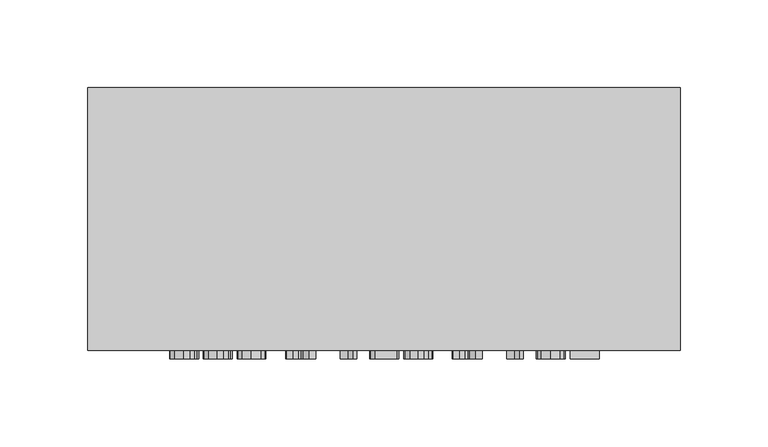
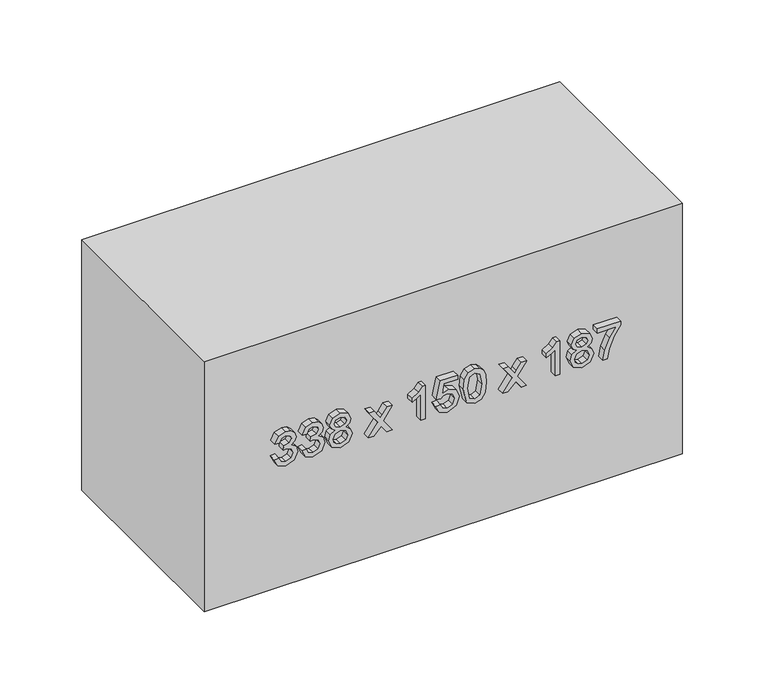
"""IFC4 building model written with IfcOpenShell, lengths in millimetres: furniture geometry."""

from ifc_helpers import new_model, si_unit, frame, origin, origin_with_axes, place, context, project, spatial, polyline, outline, extrude, source, transform, mapped, element, save


def furniture_3f7b0732(model_context):
    return source(origin(), model_context, "Body", "SweptSolid", [
        extrude(outline(polyline([(100.1709268, -77.5345978), (95.0757612, -75.0391316), (93.1075925, -69.5331644), (95.4129864, -63.4569801), (101.0293182, -61.0534844), (105.1128083, -62.2552323), (107.2587866, -65.6765349), (109.3373199, -63.1013609), (112.2313249, -62.2307068), (115.3981758, -63.1473461), (117.7526205, -65.7960965), (118.6140775, -69.5822154), (116.8666381, -74.5731478), (111.9431507, -77.1421904), (111.5507432, -74.0029307), (114.4937992, -72.4639577), (115.4748178, -69.4718508), (114.5029962, -66.5165321), (112.0473839, -65.3699665), (109.2760062, -66.9518591), (108.4114835, -71.0169551), (105.2722238, -71.366443), (105.6155804, -69.1652824), (104.3310591, -65.5968271), (101.0845005, -64.1927441), (97.6386724, -65.6090898), (96.2468522, -69.4227998), (97.2585277, -72.6632271), (100.5633343, -74.3953381), (100.1709268, -77.5345978)])), frame((0.0, -155.0, 0.0), z_axis=(0.0, 1.0, 0.0), x_axis=(0.0, 0.0, 1.0)), (0.0, 0.0, 1.0), 5.0),
        extrude(outline(polyline([(100.1709268, -58.3066322), (95.0757612, -55.811166), (93.1075925, -50.3051988), (95.4129864, -44.2290145), (101.0293182, -41.8255188), (105.1128083, -43.0272667), (107.2587866, -46.4485692), (109.3373199, -43.8733953), (112.2313249, -43.0027412), (115.3981758, -43.9193805), (117.7526205, -46.5681309), (118.6140775, -50.3542498), (116.8666381, -55.3451822), (111.9431507, -57.9142248), (111.5507432, -54.7749651), (114.4937992, -53.235992), (115.4748178, -50.2438852), (114.5029962, -47.2885665), (112.0473839, -46.1420009), (109.2760062, -47.7238935), (108.4114835, -51.7889895), (105.2722238, -52.1384774), (105.6155804, -49.9373168), (104.3310591, -46.3688615), (101.0845005, -44.9647785), (97.6386724, -46.3811242), (96.2468522, -50.1948342), (97.2585277, -53.4352615), (100.5633343, -55.1673725), (100.1709268, -58.3066322)])), frame((0.0, -155.0, 0.0), z_axis=(0.0, 1.0, 0.0), x_axis=(0.0, 0.0, 1.0)), (0.0, 0.0, 1.0), 5.0),
        extrude(outline(polyline([(107.332363, -34.5046671), (105.0514946, -37.8891815), (100.8944281, -39.0786666), (95.3363443, -36.810061), (93.1075925, -30.8381099), (95.3271472, -24.8661589), (100.808589, -22.5975532), (104.8706193, -23.7410531), (107.332363, -27.0795822), (109.2729405, -24.2990074), (112.2313249, -23.3823681), (116.7562735, -25.4425073), (118.6140775, -30.8810295), (116.799193, -36.2705007), (112.3171641, -38.2938517), (109.2821376, -37.3649496), (107.332363, -34.5046671)]), holes=[polyline([(112.2251936, -35.154592), (114.5183247, -34.0233549), (115.4748178, -30.8381099), (114.4968649, -27.662062), (112.0841721, -26.5216278), (109.7542528, -27.6252738), (108.803891, -30.8013217), (109.7603842, -34.041749), (112.2251936, -35.154592)]), polyline([(101.0047927, -35.9394069), (104.3341248, -34.611966), (105.6646313, -30.9178177), (104.3157307, -27.1163704), (100.9066908, -25.7368129), (97.5620304, -27.0734508), (96.2468522, -30.8135844), (96.8722516, -33.5604367), (98.6411509, -35.4151751), (101.0047927, -35.9394069)])]), frame((0.0, -155.0, 0.0), z_axis=(0.0, 1.0, 0.0), x_axis=(0.0, 0.0, 1.0)), (0.0, 0.0, 1.0), 5.0),
        extrude(outline(polyline([(93.5, -11.2177368), (93.5, -7.440815), (99.0734122, -1.9655047), (93.5, 1.8788622), (93.5, 5.655784), (102.7706263, -0.7331), (111.9431507, 5.9010387), (111.9431507, 2.1241169), (107.148422, -1.3462366), (105.4439021, -2.5786413), (107.5285667, -4.0011184), (111.9431507, -7.0484076), (111.9431507, -10.8253294), (102.7706263, -4.5100218), (93.5, -11.2177368)])), frame((0.0, -155.0, 0.0), z_axis=(0.0, 1.0, 0.0), x_axis=(0.0, 0.0, 1.0)), (0.0, 0.0, 1.0), 5.0),
        extrude(outline(polyline([(93.5, 29.2002317), (118.6140775, 29.2002317), (118.6140775, 27.1768807), (115.2724827, 24.3840433), (112.3355582, 19.7824526), (109.3679767, 19.7824526), (110.952935, 23.0872592), (113.0713221, 26.060972), (93.5, 26.060972), (93.5, 29.2002317)])), frame((0.0, -155.0, 0.0), z_axis=(0.0, 1.0, 0.0), x_axis=(0.0, 0.0, 1.0)), (0.0, 0.0, 1.0), 5.0),
        extrude(outline(polyline([(100.1709268, 36.6559735), (95.0420387, 39.1054544), (93.1075925, 44.6451441), (96.1180935, 51.1689182), (101.9428918, 53.1370869), (107.7309018, 50.9512547), (109.9811134, 45.5832432), (108.1662289, 40.9908496), (115.0824104, 42.3336189), (115.0824104, 51.9598645), (118.2216701, 51.9598645), (118.2216701, 39.7952332), (105.2722238, 37.0483809), (104.8798164, 40.1876406), (106.2961621, 41.9504085), (106.8418537, 44.7064578), (105.4745589, 48.682649), (101.7466881, 49.9978272), (97.7521027, 48.5937442), (96.2468522, 44.6574069), (97.3290384, 41.3771257), (100.5633343, 39.7952332), (100.1709268, 36.6559735)])), frame((0.0, -155.0, 0.0), z_axis=(0.0, 1.0, 0.0), x_axis=(0.0, 0.0, 1.0)), (0.0, 0.0, 1.0), 5.0),
        extrude(outline(polyline([(105.8547037, 55.8839391), (95.4988255, 58.3855367), (93.1075925, 64.1244958), (94.4840843, 68.719955), (98.659545, 71.4514788), (105.8547037, 72.3650525), (111.756144, 71.7948354), (115.4717522, 70.3233074), (117.8047371, 67.791053), (118.6140775, 64.1244958), (117.2467828, 59.5474306), (113.0805192, 56.8067098), (105.8547037, 55.8839391)]), holes=[polyline([(105.860835, 59.0231988), (113.7948234, 60.5437777), (115.4748178, 64.0877076), (113.5679628, 67.8033157), (105.860835, 69.2257928), (98.0709338, 67.7542648), (96.2468522, 64.1244958), (98.0648024, 60.4947268), (105.860835, 59.0231988)])]), frame((0.0, -155.0, 0.0), z_axis=(0.0, 1.0, 0.0), x_axis=(0.0, 0.0, 1.0)), (0.0, 0.0, 1.0), 5.0),
        extrude(outline(polyline([(93.5, 83.7448689), (93.5, 87.5217907), (99.0734122, 92.997101), (93.5, 96.8414679), (93.5, 100.6183897), (102.7706263, 94.2295057), (111.9431507, 100.8636444), (111.9431507, 97.0867225), (107.148422, 93.6163691), (105.4439021, 92.3839644), (107.5285667, 90.9614873), (111.9431507, 87.9141981), (111.9431507, 84.1372763), (102.7706263, 90.4525839), (93.5, 83.7448689)])), frame((0.0, -155.0, 0.0), z_axis=(0.0, 1.0, 0.0), x_axis=(0.0, 0.0, 1.0)), (0.0, 0.0, 1.0), 5.0),
        extrude(outline(polyline([(93.5, 124.1628374), (118.6140775, 124.1628374), (118.6140775, 122.1394864), (115.2724827, 119.3466489), (112.3355582, 114.7450583), (109.3679767, 114.7450583), (110.952935, 118.0498649), (113.0713221, 121.0235777), (93.5, 121.0235777), (93.5, 124.1628374)])), frame((0.0, -155.0, 0.0), z_axis=(0.0, 1.0, 0.0), x_axis=(0.0, 0.0, 1.0)), (0.0, 0.0, 1.0), 5.0),
        extrude(outline(polyline([(107.332363, 136.1925786), (105.0514946, 132.8080643), (100.8944281, 131.6185792), (95.3363443, 133.8871848), (93.1075925, 139.8591359), (95.3271472, 145.8310869), (100.808589, 148.0996925), (104.8706193, 146.9561927), (107.332363, 143.6176636), (109.2729405, 146.3982383), (112.2313249, 147.3148776), (116.7562735, 145.2547384), (118.6140775, 139.8162163), (116.799193, 134.4267451), (112.3171641, 132.4033941), (109.2821376, 133.3322961), (107.332363, 136.1925786)]), holes=[polyline([(112.2251936, 135.5426538), (114.5183247, 136.6738909), (115.4748178, 139.8591359), (114.4968649, 143.0351837), (112.0841721, 144.1756179), (109.7542528, 143.0719719), (108.803891, 139.8959241), (109.7603842, 136.6554968), (112.2251936, 135.5426538)]), polyline([(101.0047927, 134.7578389), (104.3341248, 136.0852797), (105.6646313, 139.7794281), (104.3157307, 143.5808754), (100.9066908, 144.9604329), (97.5620304, 143.6237949), (96.2468522, 139.8836613), (96.8722516, 137.1368091), (98.6411509, 135.2820707), (101.0047927, 134.7578389)])]), frame((0.0, -155.0, 0.0), z_axis=(0.0, 1.0, 0.0), x_axis=(0.0, 0.0, 1.0)), (0.0, 0.0, 1.0), 5.0),
        extrude(outline(polyline([(115.0824104, 150.8465448), (115.0824104, 164.1883985), (108.5862275, 159.4427207), (100.5817284, 156.0183525), (93.5, 154.7706194), (93.5, 157.9098791), (100.324211, 159.0748387), (108.929584, 162.6524911), (115.6832843, 167.3276582), (118.2216701, 167.3276582), (118.2216701, 150.8465448), (115.0824104, 150.8465448)])), frame((0.0, -155.0, 0.0), z_axis=(0.0, 1.0, 0.0), x_axis=(0.0, 0.0, 1.0)), (0.0, 0.0, 1.0), 5.0),
        extrude(outline(polyline([(213.7003264, 0.0), (213.7003264, -150.0), (-124.2996736, -150.0), (-124.2996736, 0.0), (213.7003264, 0.0)])), origin_with_axes(), (0.0, 0.0, 1.0), 187.0),
    ])


if __name__ == "__main__":
    model = new_model("IFC4")
    model_context = context("Model", 3, world=origin())
    ifc_project = project(units=[si_unit("LENGTHUNIT", "METRE", prefix="MILLI")], contexts=[model_context])
    site = spatial("IfcSite", under=ifc_project)
    building = spatial("IfcBuilding", under=site)
    placement = place(None, origin())
    furniture_shape = furniture_3f7b0732(model_context)
    element("IfcFurniture", 1, at=placement, inside=building, context=model_context, shape_type="MappedRepresentation", body=[
        mapped(furniture_shape, transform((0.0, 0.0, 0.0), x_axis=(1.0, 0.0, 0.0), y_axis=(0.0, 1.0, 0.0), z_axis=(0.0, 0.0, 1.0))),
    ])
    save(model, "model.ifc")
